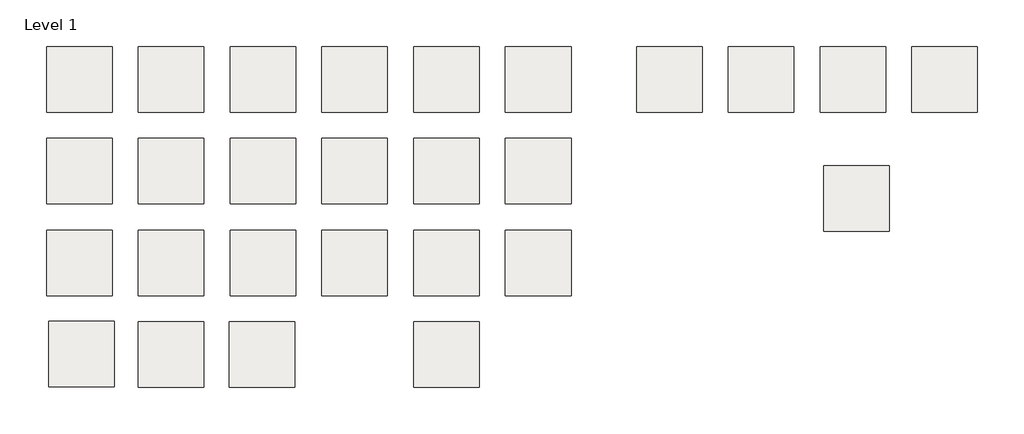
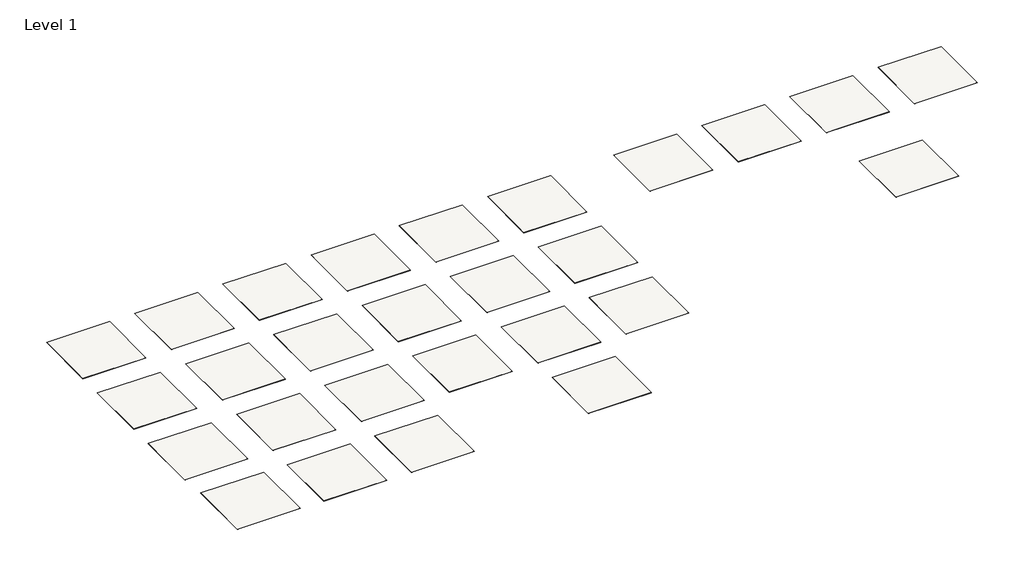
# One storey: 27 slabs.
"""IFC4 building model written with IfcOpenShell, lengths in millimetres."""

from ifc_helpers import new_model, si_unit, frame, origin, place, context, project, spatial, polyline, outline, extrude, element, save

model = new_model("IFC4")

# Units and contexts
model_context = context("Model", 3, world=origin())
ifc_project = project(units=[si_unit("LENGTHUNIT", "METRE", prefix="MILLI")], contexts=[model_context])

# Site, building, storey
site = spatial("IfcSite", under=ifc_project)
building = spatial("IfcBuilding", under=site)
storey = spatial("IfcBuildingStorey", under=building, Name="Level 1", Elevation=0.0)

# Slabs
placement = place(None, origin())
element("IfcSlab", 1, at=placement, inside=storey, context=model_context, shape_type="SweptSolid", body=[
    extrude(outline(polyline([(1219.2, 6400.8), (1219.2, 4876.8), (-304.8, 4876.8), (-304.8, 6400.8), (1219.2, 6400.8)])), frame((0.0, 0.0, -3.175), z_axis=(0.0, 0.0, 1.0), x_axis=(1.0, 0.0, 0.0)), (0.0, 0.0, 1.0), 3.175),
])
element("IfcSlab", 2, at=placement, inside=storey, context=model_context, shape_type="SweptSolid", body=[
    extrude(outline(polyline([(3352.8, 6400.8), (3352.8, 4876.8), (1828.8, 4876.8), (1828.8, 6400.8), (3352.8, 6400.8)])), frame((0.0, 0.0, -3.175), z_axis=(0.0, 0.0, 1.0), x_axis=(1.0, 0.0, 0.0)), (0.0, 0.0, 1.0), 3.175),
])
element("IfcSlab", 3, at=placement, inside=storey, context=model_context, shape_type="SweptSolid", body=[
    extrude(outline(polyline([(5486.4, 6400.8), (5486.4, 4876.8), (3962.4, 4876.8), (3962.4, 6400.8), (5486.4, 6400.8)])), frame((0.0, 0.0, -3.175), z_axis=(0.0, 0.0, 1.0), x_axis=(1.0, 0.0, 0.0)), (0.0, 0.0, 1.0), 3.175),
])
element("IfcSlab", 4, at=placement, inside=storey, context=model_context, shape_type="SweptSolid", body=[
    extrude(outline(polyline([(7620.0, 6400.8), (7620.0, 4876.8), (6096.0, 4876.8), (6096.0, 6400.8), (7620.0, 6400.8)])), frame((0.0, 0.0, -3.175), z_axis=(0.0, 0.0, 1.0), x_axis=(1.0, 0.0, 0.0)), (0.0, 0.0, 1.0), 3.175),
])
element("IfcSlab", 5, at=placement, inside=storey, context=model_context, shape_type="SweptSolid", body=[
    extrude(outline(polyline([(9753.6, 6400.8), (9753.6, 4876.8), (8229.6, 4876.8), (8229.6, 6400.8), (9753.6, 6400.8)])), frame((0.0, 0.0, -3.175), z_axis=(0.0, 0.0, 1.0), x_axis=(1.0, 0.0, 0.0)), (0.0, 0.0, 1.0), 3.175),
])
element("IfcSlab", 6, at=placement, inside=storey, context=model_context, shape_type="SweptSolid", body=[
    extrude(outline(polyline([(11887.2, 6400.8), (11887.2, 4876.8), (10363.2, 4876.8), (10363.2, 6400.8), (11887.2, 6400.8)])), frame((0.0, 0.0, -3.175), z_axis=(0.0, 0.0, 1.0), x_axis=(1.0, 0.0, 0.0)), (0.0, 0.0, 1.0), 3.175),
])
element("IfcSlab", 7, at=placement, inside=storey, context=model_context, shape_type="SweptSolid", body=[
    extrude(outline(polyline([(1219.2, 4267.2), (1219.2, 2743.2), (-304.8, 2743.2), (-304.8, 4267.2), (1219.2, 4267.2)])), frame((0.0, 0.0, -3.175), z_axis=(0.0, 0.0, 1.0), x_axis=(1.0, 0.0, 0.0)), (0.0, 0.0, 1.0), 3.175),
])
element("IfcSlab", 8, at=placement, inside=storey, context=model_context, shape_type="SweptSolid", body=[
    extrude(outline(polyline([(3352.8, 4267.2), (3352.8, 2743.2), (1828.8, 2743.2), (1828.8, 4267.2), (3352.8, 4267.2)])), frame((0.0, 0.0, -3.175), z_axis=(0.0, 0.0, 1.0), x_axis=(1.0, 0.0, 0.0)), (0.0, 0.0, 1.0), 3.175),
])
element("IfcSlab", 9, at=placement, inside=storey, context=model_context, shape_type="SweptSolid", body=[
    extrude(outline(polyline([(5486.4, 4267.2), (5486.4, 2743.2), (3962.4, 2743.2), (3962.4, 4267.2), (5486.4, 4267.2)])), frame((0.0, 0.0, -3.175), z_axis=(0.0, 0.0, 1.0), x_axis=(1.0, 0.0, 0.0)), (0.0, 0.0, 1.0), 3.175),
])
element("IfcSlab", 10, at=placement, inside=storey, context=model_context, shape_type="SweptSolid", body=[
    extrude(outline(polyline([(7620.0, 4267.2), (7620.0, 2743.2), (6096.0, 2743.2), (6096.0, 4267.2), (7620.0, 4267.2)])), frame((0.0, 0.0, -3.175), z_axis=(0.0, 0.0, 1.0), x_axis=(1.0, 0.0, 0.0)), (0.0, 0.0, 1.0), 3.175),
])
element("IfcSlab", 11, at=placement, inside=storey, context=model_context, shape_type="SweptSolid", body=[
    extrude(outline(polyline([(9753.6, 4267.2), (9753.6, 2743.2), (8229.6, 2743.2), (8229.6, 4267.2), (9753.6, 4267.2)])), frame((0.0, 0.0, -3.175), z_axis=(0.0, 0.0, 1.0), x_axis=(1.0, 0.0, 0.0)), (0.0, 0.0, 1.0), 3.175),
])
element("IfcSlab", 12, at=placement, inside=storey, context=model_context, shape_type="SweptSolid", body=[
    extrude(outline(polyline([(11887.2, 4267.2), (11887.2, 2743.2), (10363.2, 2743.2), (10363.2, 4267.2), (11887.2, 4267.2)])), frame((0.0, 0.0, -3.175), z_axis=(0.0, 0.0, 1.0), x_axis=(1.0, 0.0, 0.0)), (0.0, 0.0, 1.0), 3.175),
])
element("IfcSlab", 13, at=placement, inside=storey, context=model_context, shape_type="SweptSolid", body=[
    extrude(outline(polyline([(1219.2, 2133.6), (1219.2, 609.6), (-304.8, 609.6), (-304.8, 2133.6), (1219.2, 2133.6)])), frame((0.0, 0.0, -3.175), z_axis=(0.0, 0.0, 1.0), x_axis=(1.0, 0.0, 0.0)), (0.0, 0.0, 1.0), 3.175),
])
element("IfcSlab", 14, at=placement, inside=storey, context=model_context, shape_type="SweptSolid", body=[
    extrude(outline(polyline([(3352.8, 2133.6), (3352.8, 609.6), (1828.8, 609.6), (1828.8, 2133.6), (3352.8, 2133.6)])), frame((0.0, 0.0, -3.175), z_axis=(0.0, 0.0, 1.0), x_axis=(1.0, 0.0, 0.0)), (0.0, 0.0, 1.0), 3.175),
])
element("IfcSlab", 15, at=placement, inside=storey, context=model_context, shape_type="SweptSolid", body=[
    extrude(outline(polyline([(5486.4, 2133.6), (5486.4, 609.6), (3962.4, 609.6), (3962.4, 2133.6), (5486.4, 2133.6)])), frame((0.0, 0.0, -3.175), z_axis=(0.0, 0.0, 1.0), x_axis=(1.0, 0.0, 0.0)), (0.0, 0.0, 1.0), 3.175),
])
element("IfcSlab", 16, at=placement, inside=storey, context=model_context, shape_type="SweptSolid", body=[
    extrude(outline(polyline([(7620.0, 2133.6), (7620.0, 609.6), (6096.0, 609.6), (6096.0, 2133.6), (7620.0, 2133.6)])), frame((0.0, 0.0, -3.175), z_axis=(0.0, 0.0, 1.0), x_axis=(1.0, 0.0, 0.0)), (0.0, 0.0, 1.0), 3.175),
])
element("IfcSlab", 17, at=placement, inside=storey, context=model_context, shape_type="SweptSolid", body=[
    extrude(outline(polyline([(11887.2, 2133.6), (11887.2, 609.6), (10363.2, 609.6), (10363.2, 2133.6), (11887.2, 2133.6)])), frame((0.0, 0.0, -3.175), z_axis=(0.0, 0.0, 1.0), x_axis=(1.0, 0.0, 0.0)), (0.0, 0.0, 1.0), 3.175),
])
element("IfcSlab", 18, at=placement, inside=storey, context=model_context, shape_type="SweptSolid", body=[
    extrude(outline(polyline([(1265.6012242, 18.1703464), (1265.6012242, -1505.8296536), (-258.3987758, -1505.8296536), (-258.3987758, 18.1703464), (1265.6012242, 18.1703464)])), frame((0.0, 0.0, -3.175), z_axis=(0.0, 0.0, 1.0), x_axis=(1.0, 0.0, 0.0)), (0.0, 0.0, 1.0), 3.175),
])
element("IfcSlab", 19, at=placement, inside=storey, context=model_context, shape_type="SweptSolid", body=[
    extrude(outline(polyline([(3352.8, 0.0), (3352.8, -1524.0), (1828.8, -1524.0), (1828.8, 0.0), (3352.8, 0.0)])), frame((0.0, 0.0, -3.175), z_axis=(0.0, 0.0, 1.0), x_axis=(1.0, 0.0, 0.0)), (0.0, 0.0, 1.0), 3.175),
])
element("IfcSlab", 20, at=placement, inside=storey, context=model_context, shape_type="SweptSolid", body=[
    extrude(outline(polyline([(9753.6, 0.0), (9753.6, -1524.0), (8229.6, -1524.0), (8229.6, 0.0), (9753.6, 0.0)])), frame((0.0, 0.0, -3.175), z_axis=(0.0, 0.0, 1.0), x_axis=(1.0, 0.0, 0.0)), (0.0, 0.0, 1.0), 3.175),
])
element("IfcSlab", 21, at=placement, inside=storey, context=model_context, shape_type="SweptSolid", body=[
    extrude(outline(polyline([(14935.2, 6400.8), (14935.2, 4876.8), (13411.2, 4876.8), (13411.2, 6400.8), (14935.2, 6400.8)])), frame((0.0, 0.0, -3.175), z_axis=(0.0, 0.0, 1.0), x_axis=(1.0, 0.0, 0.0)), (0.0, 0.0, 1.0), 3.175),
])
element("IfcSlab", 22, at=placement, inside=storey, context=model_context, shape_type="SweptSolid", body=[
    extrude(outline(polyline([(17068.8, 6400.8), (17068.8, 4876.8), (15544.8, 4876.8), (15544.8, 6400.8), (17068.8, 6400.8)])), frame((0.0, 0.0, -3.175), z_axis=(0.0, 0.0, 1.0), x_axis=(1.0, 0.0, 0.0)), (0.0, 0.0, 1.0), 3.175),
])
element("IfcSlab", 23, at=placement, inside=storey, context=model_context, shape_type="SweptSolid", body=[
    extrude(outline(polyline([(19202.4, 6400.8), (19202.4, 4876.8), (17678.4, 4876.8), (17678.4, 6400.8), (19202.4, 6400.8)])), frame((0.0, 0.0, -3.175), z_axis=(0.0, 0.0, 1.0), x_axis=(1.0, 0.0, 0.0)), (0.0, 0.0, 1.0), 3.175),
])
element("IfcSlab", 24, at=placement, inside=storey, context=model_context, shape_type="SweptSolid", body=[
    extrude(outline(polyline([(19283.684573, 3633.7584652), (19283.684573, 2109.7584652), (17759.684573, 2109.7584652), (17759.684573, 3633.7584652), (19283.684573, 3633.7584652)])), frame((0.0, 0.0, -3.175), z_axis=(0.0, 0.0, 1.0), x_axis=(1.0, 0.0, 0.0)), (0.0, 0.0, 1.0), 3.175),
])
element("IfcSlab", 25, at=placement, inside=storey, context=model_context, shape_type="SweptSolid", body=[
    extrude(outline(polyline([(9753.6, 2133.6), (9753.6, 609.6), (8229.6, 609.6), (8229.6, 2133.6), (9753.6, 2133.6)])), frame((0.0, 0.0, -3.175), z_axis=(0.0, 0.0, 1.0), x_axis=(1.0, 0.0, 0.0)), (0.0, 0.0, 1.0), 3.175),
])
element("IfcSlab", 26, at=placement, inside=storey, context=model_context, shape_type="SweptSolid", body=[
    extrude(outline(polyline([(5461.0, 0.0), (5461.0, -1524.0), (3937.0, -1524.0), (3937.0, 0.0), (5461.0, 0.0)])), frame((0.0, 0.0, -3.175), z_axis=(0.0, 0.0, 1.0), x_axis=(1.0, 0.0, 0.0)), (0.0, 0.0, 1.0), 3.175),
])
element("IfcSlab", 27, at=placement, inside=storey, context=model_context, shape_type="SweptSolid", body=[
    extrude(outline(polyline([(21336.0, 6400.8), (21336.0, 4876.8), (19812.0, 4876.8), (19812.0, 6400.8), (21336.0, 6400.8)])), frame((0.0, 0.0, -3.175), z_axis=(0.0, 0.0, 1.0), x_axis=(1.0, 0.0, 0.0)), (0.0, 0.0, 1.0), 3.175),
])

save(model, "model.ifc")
